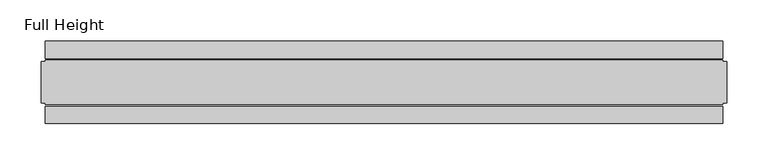
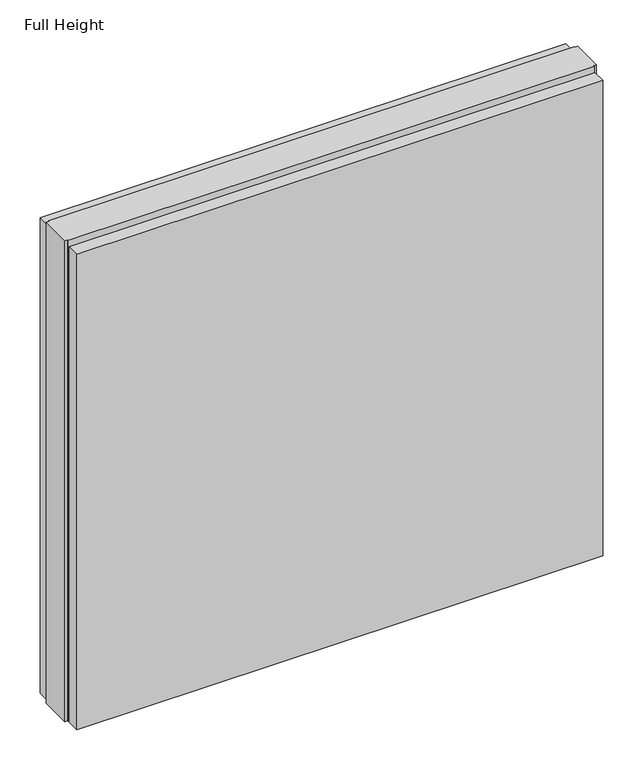
"""IFC4 building model written with IfcOpenShell, lengths in millimetres: plate geometry, Full Height."""

import ifcopenshell
import ifcopenshell.guid

model = None  # the IFC model being written
_history = None  # IfcOwnerHistory: only IFC2X3 demands one
_inside = {}  # id of a spatial element -> (the spatial element, [elements in it])
_under = {}  # id of a project, library or spatial element -> (it, [spatial elements below it])
_declared = {}  # id of a project -> (the project, [libraries it declares])
_typed = {}  # id of a type object -> (the type object, [elements of that type])
_made_of = {}  # id of a material, layer set ... -> (it, [elements and type objects made of it])


def new_model(schema):
    """Start an empty IFC model of exactly this schema.

    Asked for "IFC4X3", IfcOpenShell would pick the latest addendum, in which some entities
    have other attributes; the version numbers below select the first issue.
    IFC2X3 requires an IfcOwnerHistory on every rooted entity: one is made here for all.
    """
    global model, _history
    if schema == "IFC4X3":
        model = ifcopenshell.file(schema_version=(4, 3, 0, 0))
    else:
        model = ifcopenshell.file(schema=schema)
    _inside.clear()
    _under.clear()
    _declared.clear()
    _typed.clear()
    _made_of.clear()
    _history = None
    if model.schema == "IFC2X3":
        org = make("IfcOrganization", Name="unknown")
        user = make(
            "IfcPersonAndOrganization",
            ThePerson=make("IfcPerson", FamilyName="unknown"),
            TheOrganization=org,
        )
        app = make(
            "IfcApplication",
            ApplicationDeveloper=org,
            Version="unknown",
            ApplicationFullName="unknown",
            ApplicationIdentifier="unknown",
        )
        _history = make(
            "IfcOwnerHistory",
            OwningUser=user,
            OwningApplication=app,
            ChangeAction="ADDED",
            CreationDate=0,
        )
    return model


def make(cls, **values):
    """One entity of the class cls with the attributes given. An attribute that is None is left unset."""
    return model.create_entity(
        cls, **{name: value for name, value in values.items() if value is not None}
    )


def rooted(cls, **values):
    """An entity with a GlobalId (a new one), such as an element, a storey or a relation."""
    return make(cls, GlobalId=ifcopenshell.guid.new(), OwnerHistory=_history, **values)


def si_unit(unit_type, name, prefix=None):
    """IfcSIUnit, for example si_unit("LENGTHUNIT", "METRE", prefix="MILLI")."""
    return make("IfcSIUnit", UnitType=unit_type, Prefix=prefix, Name=name)


def assignment(units):
    """IfcUnitAssignment: the units of a project."""
    return None if units is None else make("IfcUnitAssignment", Units=units)


def point(xyz):
    """IfcCartesianPoint."""
    return None if xyz is None else make("IfcCartesianPoint", Coordinates=xyz)


def direction(xyz):
    """IfcDirection."""
    return None if xyz is None else make("IfcDirection", DirectionRatios=xyz)


def frame(location, z_axis=None, x_axis=None):
    """IfcAxis2Placement3D, a coordinate frame: its origin and axes. An axis left out is left unset."""
    return make(
        "IfcAxis2Placement3D",
        Location=point(location),
        Axis=direction(z_axis),
        RefDirection=direction(x_axis),
    )


def origin():
    """The frame at (0, 0, 0) with its axes left unset."""
    return frame((0.0, 0.0, 0.0))


def origin_with_axes():
    """The frame at (0, 0, 0) with the z axis (0, 0, 1) and the x axis (1, 0, 0) written out."""
    return frame((0.0, 0.0, 0.0), z_axis=(0.0, 0.0, 1.0), x_axis=(1.0, 0.0, 0.0))


def place(relative_to, where):
    """IfcLocalPlacement: puts the frame where relative to a parent placement (None: the world)."""
    return make(
        "IfcLocalPlacement", PlacementRelTo=relative_to, RelativePlacement=where
    )


def context(
    kind, dimensions, precision=None, world=None, true_north=None, identifier=None
):
    """IfcGeometricRepresentationContext, for example the 3D "Model" context."""
    return make(
        "IfcGeometricRepresentationContext",
        ContextIdentifier=identifier,
        ContextType=kind,
        CoordinateSpaceDimension=dimensions,
        Precision=precision,
        WorldCoordinateSystem=world,
        TrueNorth=true_north,
    )


def project(units=None, contexts=None):
    """IfcProject with its units and contexts."""
    return rooted(
        "IfcProject",
        Name="project",
        RepresentationContexts=contexts,
        UnitsInContext=assignment(units),
    )


def spatial(cls, under=None, at=None, **own):
    """A site, building, storey or space (cls), placed at a placement, below another one or the project."""
    s = rooted(cls, ObjectPlacement=at, **own)
    if under is not None:
        _under.setdefault(under.id(), (under, []))[1].append(s)
    return s


def polyline(points):
    """IfcPolyline through the points."""
    return make("IfcPolyline", Points=[point(p) for p in points])


def outline(outer, holes=None, kind="AREA"):
    """IfcArbitraryClosedProfileDef: a profile drawn as a closed curve; with holes, ...WithVoids."""
    if holes is None:
        return make("IfcArbitraryClosedProfileDef", ProfileType=kind, OuterCurve=outer)
    return make(
        "IfcArbitraryProfileDefWithVoids",
        ProfileType=kind,
        OuterCurve=outer,
        InnerCurves=holes,
    )


def extrude(swept, where, along, depth):
    """IfcExtrudedAreaSolid: the profile swept, set in the frame where, extruded along a direction by depth."""
    return make(
        "IfcExtrudedAreaSolid",
        SweptArea=swept,
        Position=where,
        ExtrudedDirection=direction(along),
        Depth=depth,
    )


def shape(context_of_items, identifier, shape_type, items):
    """IfcShapeRepresentation: the items that make up one representation, for example the "Body"."""
    return make(
        "IfcShapeRepresentation",
        ContextOfItems=context_of_items,
        RepresentationIdentifier=identifier,
        RepresentationType=shape_type,
        Items=items,
    )


def source(mapping_origin, context_of_items, identifier, shape_type, items):
    """IfcRepresentationMap: a shape defined once, which mapped items show again and again."""
    return make(
        "IfcRepresentationMap",
        MappingOrigin=mapping_origin,
        MappedRepresentation=shape(context_of_items, identifier, shape_type, items),
    )


def transform(
    local_origin,
    x_axis=None,
    y_axis=None,
    z_axis=None,
    scale=None,
    scale2=None,
    scale3=None,
    uniform=True,
):
    """IfcCartesianTransformationOperator3D, or its non-uniform kind. x_axis, y_axis, z_axis: its Axis1, 2, 3."""
    if uniform:
        return make(
            "IfcCartesianTransformationOperator3D",
            Axis1=direction(x_axis),
            Axis2=direction(y_axis),
            LocalOrigin=point(local_origin),
            Scale=scale,
            Axis3=direction(z_axis),
        )
    return make(
        "IfcCartesianTransformationOperator3DnonUniform",
        Axis1=direction(x_axis),
        Axis2=direction(y_axis),
        LocalOrigin=point(local_origin),
        Scale=scale,
        Axis3=direction(z_axis),
        Scale2=scale2,
        Scale3=scale3,
    )


def mapped(mapping_source, mapping_target):
    """IfcMappedItem: shows the shape of a source again, moved by a transform."""
    return make(
        "IfcMappedItem", MappingSource=mapping_source, MappingTarget=mapping_target
    )


def made_of(thing, what):
    """Note that an element or type object is made of a material, layer set ...; save() writes the relation."""
    if what is not None:
        _made_of.setdefault(what.id(), (what, []))[1].append(thing)
    return thing


def element(
    cls,
    number,
    at=None,
    inside=None,
    cuts=None,
    type_object=None,
    material=None,
    context=None,
    identifier="Body",
    shape_type=None,
    held_by="IfcProductDefinitionShape",
    body=None,
    shapes=None,
    **own,
):
    """One element of the class cls, such as IfcWall. Its Tag is "e" and its number.

    at: its placement. inside: the storey or other place that contains it. cuts: it is an
    opening in that element (IfcRelVoidsElement). A single representation is given by context,
    identifier, shape_type and body (its items); several are given by shapes. held_by: the class
    of the entity that holds the representations. save() writes the other relations.
    """
    e = rooted(cls, Tag="e%d" % number, ObjectPlacement=at, **own)
    if body is not None:
        shapes = [shape(context, identifier, shape_type, body)]
    if shapes is not None:
        e.Representation = make(held_by, Representations=shapes)
    if inside is not None:
        _inside.setdefault(inside.id(), (inside, []))[1].append(e)
    if cuts is not None:
        rooted(
            "IfcRelVoidsElement", RelatingBuildingElement=cuts, RelatedOpeningElement=e
        )
    if type_object is not None:
        _typed.setdefault(type_object.id(), (type_object, []))[1].append(e)
    return made_of(e, material)


def aggregate(whole, parts):
    """IfcRelAggregates: a whole, such as a stair, and the parts it consists of."""
    return rooted("IfcRelAggregates", RelatingObject=whole, RelatedObjects=parts)


def save(model, path):
    """Write the relations noted so far, then the file.

    IfcRelAggregates (storeys below a building ...), IfcRelContainedInSpatialStructure (elements
    in a storey), IfcRelDefinesByType, IfcRelAssociatesMaterial and IfcRelDeclares: one each for
    every whole, place, type object, material and project.
    """
    for whole, parts in _under.values():
        aggregate(whole, parts)
    for where, things in _inside.values():
        rooted(
            "IfcRelContainedInSpatialStructure",
            RelatedElements=things,
            RelatingStructure=where,
        )
    for kind, things in _typed.values():
        rooted("IfcRelDefinesByType", RelatedObjects=things, RelatingType=kind)
    for what, things in _made_of.values():
        rooted("IfcRelAssociatesMaterial", RelatedObjects=things, RelatingMaterial=what)
    for by, libraries in _declared.values():
        rooted("IfcRelDeclares", RelatingContext=by, RelatedDefinitions=libraries)
    model.write(path)


def full_height_d3d2eed1(model_context):
    return source(origin(), model_context, "Body", "SweptSolid", [
        extrude(outline(polyline([(408.1698428, -28.956), (408.1698428, -49.53), (-408.1698428, -49.53), (-408.1698428, -28.956), (408.1698428, -28.956)])), origin_with_axes(), (0.0, 0.0, 1.0), 780.796),
        extrude(outline(polyline([(408.1698428, 28.956), (-408.1698428, 28.956), (-408.1698428, 49.53), (408.1698428, 49.53), (408.1698428, 28.956)])), origin_with_axes(), (0.0, 0.0, 1.0), 780.796),
        extrude(outline(polyline([(408.1698428, 25.146), (412.7418428, 25.146), (412.7418428, -25.146), (408.1698428, -25.146), (408.1698428, -26.67), (-408.1698428, -26.67), (-408.1698428, -25.146), (-412.7418428, -25.146), (-412.7418428, 25.146), (-408.1698428, 25.146), (-408.1698428, 26.67), (408.1698428, 26.67), (408.1698428, 25.146)])), origin_with_axes(), (0.0, 0.0, 1.0), 789.94),
    ])


if __name__ == "__main__":
    model = new_model("IFC4")
    model_context = context("Model", 3, world=origin())
    ifc_project = project(units=[si_unit("LENGTHUNIT", "METRE", prefix="MILLI")], contexts=[model_context])
    site = spatial("IfcSite", under=ifc_project)
    building = spatial("IfcBuilding", under=site)
    placement = place(None, origin())
    full_height_shape = full_height_d3d2eed1(model_context)
    element("IfcPlate", 1, ObjectType="Full Height", at=placement, inside=building, context=model_context, shape_type="MappedRepresentation", body=[
        mapped(full_height_shape, transform((0.0, 0.0, 0.0), x_axis=(1.0, 0.0, 0.0), y_axis=(0.0, 1.0, 0.0), z_axis=(0.0, 0.0, 1.0))),
    ])
    save(model, "model.ifc")
